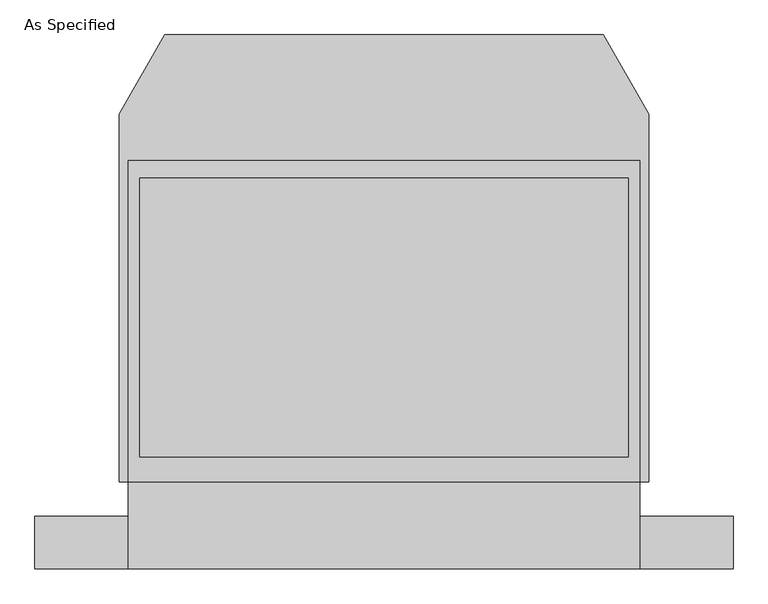
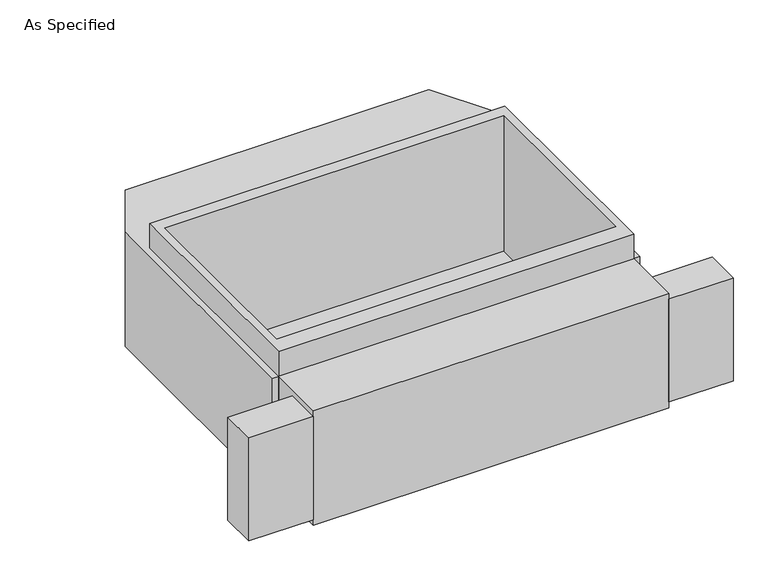
"""IFC4 building model written with IfcOpenShell, lengths in millimetres: proxy geometry, As Specified."""

from ifc_helpers import new_model, si_unit, frame, origin, place, context, project, spatial, polyline, outline, extrude, faceted_brep, source, transform, mapped, element, save


def as_specified_e0b1f15f(model_context):
    return source(origin(), model_context, "Body", "SolidModel", [
        extrude(outline(polyline([(1117.6, -1166.5148438), (1117.6, -937.9148438), (1524.0, -937.9148438), (1524.0, -1166.5148438), (1117.6, -1166.5148438)])), frame((0.0, 0.0, -749.3), z_axis=(0.0, 0.0, 1.0), x_axis=(1.0, 0.0, 0.0)), (0.0, 0.0, 1.0), 685.8),
        extrude(outline(polyline([(-1117.6, -1166.5148438), (-1524.0, -1166.5148438), (-1524.0, -937.9148438), (-1117.6, -937.9148438), (-1117.6, -1166.5148438)])), frame((0.0, 0.0, -749.3), z_axis=(0.0, 0.0, 1.0), x_axis=(1.0, 0.0, 0.0)), (0.0, 0.0, 1.0), 685.8),
        extrude(outline(polyline([(1117.6, 617.8351562), (1117.6, -785.5148438), (-1117.6, -785.5148438), (-1117.6, 617.8351562), (1117.6, 617.8351562)]), holes=[polyline([(-1066.8, 541.6748437), (-1066.8, -677.5251563), (1066.8, -677.5251563), (1066.8, 541.6748437), (-1066.8, 541.6748437)])]), frame((0.0, 0.0, -762.0), z_axis=(0.0, 0.0, 1.0), x_axis=(1.0, 0.0, 0.0)), (0.0, 0.0, 1.0), 901.7),
        faceted_brep([(1117.6, -1166.5148438, -787.4), (-1117.6, -1166.5148438, -787.4), (-1117.6, -785.5148438, -787.4), (-1155.7, -785.5148438, -787.4), (-1155.7, 821.0748437, -787.4), (-956.260123, 1166.5148437, -787.4), (956.260123, 1166.5148437, -787.4), (1155.7, 821.0748437, -787.4), (1155.7, -785.5148438, -787.4), (1117.6, -785.5148438, -787.4), (1117.6, -1166.5148438, -25.4), (1117.6, -785.5148438, -25.4), (1155.7, -785.5148438, -25.4), (1155.7, 821.0748437, -25.4), (956.260123, 1166.5148437, -25.4), (-956.260123, 1166.5148437, -25.4), (-1155.7, 821.0748437, -25.4), (-1155.7, -785.5148438, -25.4), (-1117.6, -785.5148438, -25.4), (-1117.6, -1166.5148438, -25.4), (1066.8, 541.6748437, -25.4), (1066.8, -677.5251563, -25.4), (-1066.8, -677.5251563, -25.4), (-1066.8, 541.6748437, -25.4), (1066.8, 541.6748437, -762.0), (-1066.8, 541.6748437, -762.0), (-1066.8, -677.5251563, -762.0), (1066.8, -677.5251563, -762.0)], [[[0, 1, 2, 3, 4, 5, 6, 7, 8, 9]], [[10, 11, 12, 13, 14, 15, 16, 17, 18, 19], [20, 21, 22, 23]], [[6, 5, 15, 14]], [[3, 17, 16, 4]], [[17, 3, 2, 18]], [[8, 12, 11, 9]], [[12, 8, 7, 13]], [[0, 9, 11, 10]], [[2, 1, 19, 18]], [[1, 0, 10, 19]], [[5, 4, 16, 15]], [[7, 6, 14, 13]], [[24, 25, 26, 27]], [[24, 27, 21, 20]], [[27, 26, 22, 21]], [[26, 25, 23, 22]], [[25, 24, 20, 23]]]),
    ])


if __name__ == "__main__":
    model = new_model("IFC4")
    model_context = context("Model", 3, world=origin())
    ifc_project = project(units=[si_unit("LENGTHUNIT", "METRE", prefix="MILLI")], contexts=[model_context])
    site = spatial("IfcSite", under=ifc_project)
    building = spatial("IfcBuilding", under=site)
    placement = place(None, origin())
    as_specified_shape = as_specified_e0b1f15f(model_context)
    element("IfcBuildingElementProxy", 1, Name="As Specified", ObjectType="As Specified", at=placement, inside=building, context=model_context, shape_type="MappedRepresentation", body=[
        mapped(as_specified_shape, transform((0.0, 0.0, 0.0), x_axis=(1.0, 0.0, 0.0), y_axis=(0.0, 1.0, 0.0), z_axis=(0.0, 0.0, 1.0))),
    ])
    save(model, "model.ifc")
